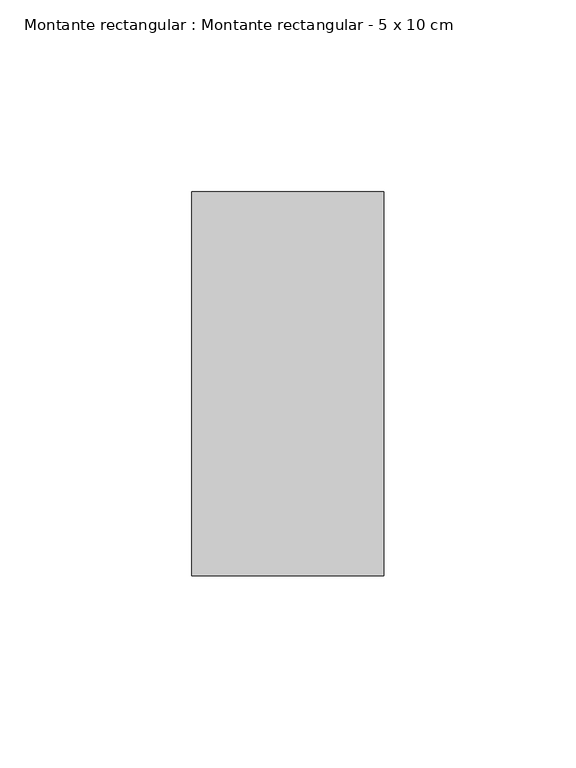
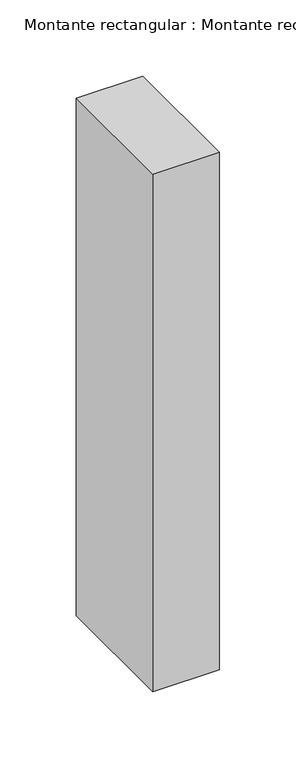
"""IFC4 building model written with IfcOpenShell, lengths in millimetres: member geometry, Montante rectangular : Montante rectangular - 5 x 10 cm."""

from ifc_helpers import new_model, si_unit, frame, origin, place, context, project, spatial, polyline, outline, extrude, source, transform, mapped, element, save


def montante_rectangular_montante_rectangular_5_x_10_cm_1133f1b9(model_context):
    return source(origin(), model_context, "Body", "SweptSolid", [
        extrude(outline(polyline([(25.0, 50.0), (25.0, -50.0), (-25.0, -50.0), (-25.0, 50.0), (25.0, 50.0)])), frame((0.0, 0.0, -413.0), z_axis=(0.0, 0.0, 1.0), x_axis=(1.0, 0.0, 0.0)), (0.0, 0.0, 1.0), 413.0),
    ])


if __name__ == "__main__":
    model = new_model("IFC4")
    model_context = context("Model", 3, world=origin())
    ifc_project = project(units=[si_unit("LENGTHUNIT", "METRE", prefix="MILLI")], contexts=[model_context])
    site = spatial("IfcSite", under=ifc_project)
    building = spatial("IfcBuilding", under=site)
    placement = place(None, origin())
    montante_rectangular_montante_rectangular_5_x_10_cm_shape = montante_rectangular_montante_rectangular_5_x_10_cm_1133f1b9(model_context)
    element("IfcMember", 1, ObjectType="Montante rectangular : Montante rectangular - 5 x 10 cm", at=placement, inside=building, context=model_context, shape_type="MappedRepresentation", body=[
        mapped(montante_rectangular_montante_rectangular_5_x_10_cm_shape, transform((0.0, 0.0, 0.0), x_axis=(1.0, 0.0, 0.0), y_axis=(0.0, 1.0, 0.0), z_axis=(0.0, 0.0, 1.0))),
    ])
    save(model, "model.ifc")
